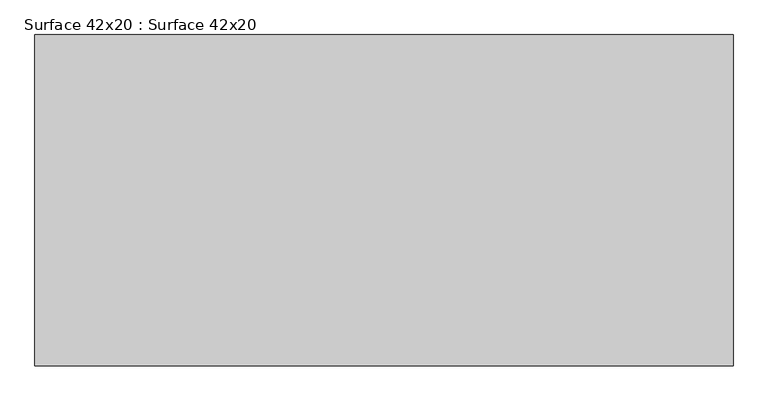
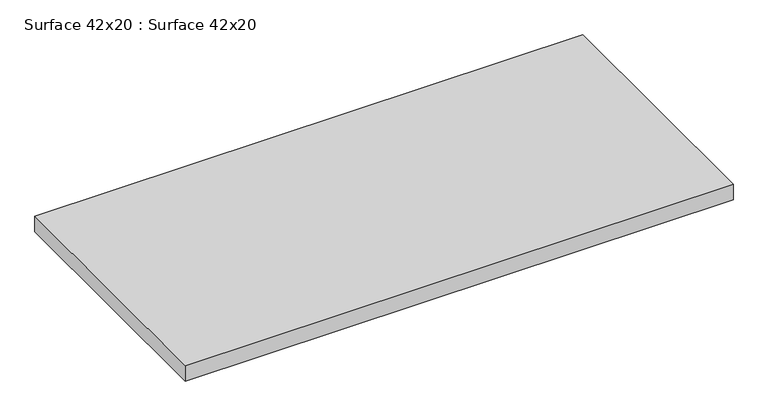
"""IFC4 building model written with IfcOpenShell, lengths in millimetres: furniture geometry, Surface 42x20 : Surface 42x20."""

from ifc_helpers import new_model, si_unit, frame, origin, place, context, project, spatial, polyline, outline, extrude, source, transform, mapped, element, save


def surface_42x20_surface_42x20_f3930439(model_context):
    return source(origin(), model_context, "Body", "SweptSolid", [
        extrude(outline(polyline([(-128.6376412, 1141.8015903), (-128.6376412, 636.9765903), (-1192.2626412, 636.9765903), (-1192.2626412, 1141.8015903), (-128.6376412, 1141.8015903)])), frame((0.0, 0.0, 704.85), z_axis=(0.0, 0.0, 1.0), x_axis=(1.0, 0.0, 0.0)), (0.0, 0.0, 1.0), 31.75),
    ])


if __name__ == "__main__":
    model = new_model("IFC4")
    model_context = context("Model", 3, world=origin())
    ifc_project = project(units=[si_unit("LENGTHUNIT", "METRE", prefix="MILLI")], contexts=[model_context])
    site = spatial("IfcSite", under=ifc_project)
    building = spatial("IfcBuilding", under=site)
    placement = place(None, origin())
    surface_42x20_surface_42x20_shape = surface_42x20_surface_42x20_f3930439(model_context)
    element("IfcFurniture", 1, ObjectType="Surface 42x20 : Surface 42x20", at=placement, inside=building, context=model_context, shape_type="MappedRepresentation", body=[
        mapped(surface_42x20_surface_42x20_shape, transform((0.0, 0.0, 0.0), x_axis=(1.0, 0.0, 0.0), y_axis=(0.0, 1.0, 0.0), z_axis=(0.0, 0.0, 1.0))),
    ])
    save(model, "model.ifc")
